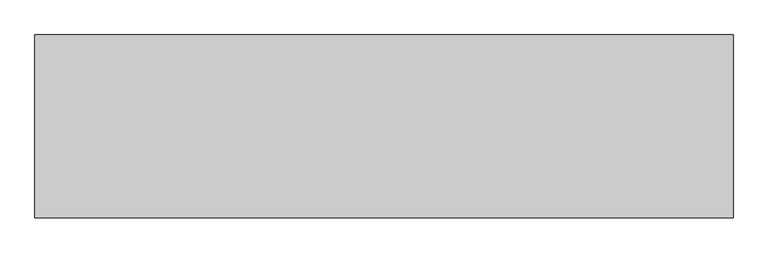
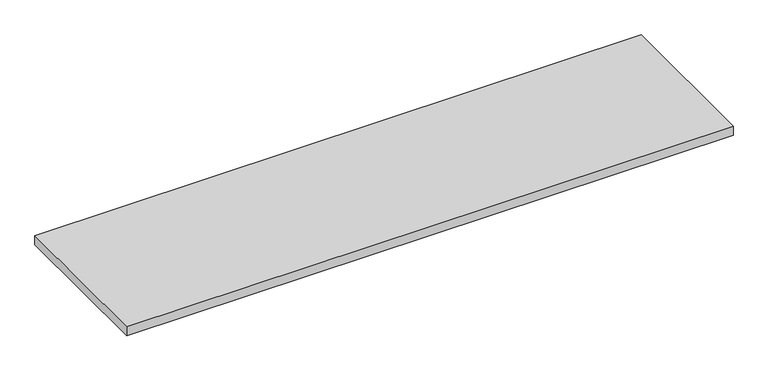
"""IFC4 building model written with IfcOpenShell, lengths in millimetres: furniture geometry."""

import ifcopenshell
import ifcopenshell.guid

model = None  # the IFC model being written
_history = None  # IfcOwnerHistory: only IFC2X3 demands one
_inside = {}  # id of a spatial element -> (the spatial element, [elements in it])
_under = {}  # id of a project, library or spatial element -> (it, [spatial elements below it])
_declared = {}  # id of a project -> (the project, [libraries it declares])
_typed = {}  # id of a type object -> (the type object, [elements of that type])
_made_of = {}  # id of a material, layer set ... -> (it, [elements and type objects made of it])


def new_model(schema):
    """Start an empty IFC model of exactly this schema.

    Asked for "IFC4X3", IfcOpenShell would pick the latest addendum, in which some entities
    have other attributes; the version numbers below select the first issue.
    IFC2X3 requires an IfcOwnerHistory on every rooted entity: one is made here for all.
    """
    global model, _history
    if schema == "IFC4X3":
        model = ifcopenshell.file(schema_version=(4, 3, 0, 0))
    else:
        model = ifcopenshell.file(schema=schema)
    _inside.clear()
    _under.clear()
    _declared.clear()
    _typed.clear()
    _made_of.clear()
    _history = None
    if model.schema == "IFC2X3":
        org = make("IfcOrganization", Name="unknown")
        user = make(
            "IfcPersonAndOrganization",
            ThePerson=make("IfcPerson", FamilyName="unknown"),
            TheOrganization=org,
        )
        app = make(
            "IfcApplication",
            ApplicationDeveloper=org,
            Version="unknown",
            ApplicationFullName="unknown",
            ApplicationIdentifier="unknown",
        )
        _history = make(
            "IfcOwnerHistory",
            OwningUser=user,
            OwningApplication=app,
            ChangeAction="ADDED",
            CreationDate=0,
        )
    return model


def make(cls, **values):
    """One entity of the class cls with the attributes given. An attribute that is None is left unset."""
    return model.create_entity(
        cls, **{name: value for name, value in values.items() if value is not None}
    )


def rooted(cls, **values):
    """An entity with a GlobalId (a new one), such as an element, a storey or a relation."""
    return make(cls, GlobalId=ifcopenshell.guid.new(), OwnerHistory=_history, **values)


def si_unit(unit_type, name, prefix=None):
    """IfcSIUnit, for example si_unit("LENGTHUNIT", "METRE", prefix="MILLI")."""
    return make("IfcSIUnit", UnitType=unit_type, Prefix=prefix, Name=name)


def assignment(units):
    """IfcUnitAssignment: the units of a project."""
    return None if units is None else make("IfcUnitAssignment", Units=units)


def point(xyz):
    """IfcCartesianPoint."""
    return None if xyz is None else make("IfcCartesianPoint", Coordinates=xyz)


def direction(xyz):
    """IfcDirection."""
    return None if xyz is None else make("IfcDirection", DirectionRatios=xyz)


def frame(location, z_axis=None, x_axis=None):
    """IfcAxis2Placement3D, a coordinate frame: its origin and axes. An axis left out is left unset."""
    return make(
        "IfcAxis2Placement3D",
        Location=point(location),
        Axis=direction(z_axis),
        RefDirection=direction(x_axis),
    )


def origin():
    """The frame at (0, 0, 0) with its axes left unset."""
    return frame((0.0, 0.0, 0.0))


def place(relative_to, where):
    """IfcLocalPlacement: puts the frame where relative to a parent placement (None: the world)."""
    return make(
        "IfcLocalPlacement", PlacementRelTo=relative_to, RelativePlacement=where
    )


def context(
    kind, dimensions, precision=None, world=None, true_north=None, identifier=None
):
    """IfcGeometricRepresentationContext, for example the 3D "Model" context."""
    return make(
        "IfcGeometricRepresentationContext",
        ContextIdentifier=identifier,
        ContextType=kind,
        CoordinateSpaceDimension=dimensions,
        Precision=precision,
        WorldCoordinateSystem=world,
        TrueNorth=true_north,
    )


def project(units=None, contexts=None):
    """IfcProject with its units and contexts."""
    return rooted(
        "IfcProject",
        Name="project",
        RepresentationContexts=contexts,
        UnitsInContext=assignment(units),
    )


def spatial(cls, under=None, at=None, **own):
    """A site, building, storey or space (cls), placed at a placement, below another one or the project."""
    s = rooted(cls, ObjectPlacement=at, **own)
    if under is not None:
        _under.setdefault(under.id(), (under, []))[1].append(s)
    return s


def polyline(points):
    """IfcPolyline through the points."""
    return make("IfcPolyline", Points=[point(p) for p in points])


def outline(outer, holes=None, kind="AREA"):
    """IfcArbitraryClosedProfileDef: a profile drawn as a closed curve; with holes, ...WithVoids."""
    if holes is None:
        return make("IfcArbitraryClosedProfileDef", ProfileType=kind, OuterCurve=outer)
    return make(
        "IfcArbitraryProfileDefWithVoids",
        ProfileType=kind,
        OuterCurve=outer,
        InnerCurves=holes,
    )


def extrude(swept, where, along, depth):
    """IfcExtrudedAreaSolid: the profile swept, set in the frame where, extruded along a direction by depth."""
    return make(
        "IfcExtrudedAreaSolid",
        SweptArea=swept,
        Position=where,
        ExtrudedDirection=direction(along),
        Depth=depth,
    )


def shape(context_of_items, identifier, shape_type, items):
    """IfcShapeRepresentation: the items that make up one representation, for example the "Body"."""
    return make(
        "IfcShapeRepresentation",
        ContextOfItems=context_of_items,
        RepresentationIdentifier=identifier,
        RepresentationType=shape_type,
        Items=items,
    )


def source(mapping_origin, context_of_items, identifier, shape_type, items):
    """IfcRepresentationMap: a shape defined once, which mapped items show again and again."""
    return make(
        "IfcRepresentationMap",
        MappingOrigin=mapping_origin,
        MappedRepresentation=shape(context_of_items, identifier, shape_type, items),
    )


def transform(
    local_origin,
    x_axis=None,
    y_axis=None,
    z_axis=None,
    scale=None,
    scale2=None,
    scale3=None,
    uniform=True,
):
    """IfcCartesianTransformationOperator3D, or its non-uniform kind. x_axis, y_axis, z_axis: its Axis1, 2, 3."""
    if uniform:
        return make(
            "IfcCartesianTransformationOperator3D",
            Axis1=direction(x_axis),
            Axis2=direction(y_axis),
            LocalOrigin=point(local_origin),
            Scale=scale,
            Axis3=direction(z_axis),
        )
    return make(
        "IfcCartesianTransformationOperator3DnonUniform",
        Axis1=direction(x_axis),
        Axis2=direction(y_axis),
        LocalOrigin=point(local_origin),
        Scale=scale,
        Axis3=direction(z_axis),
        Scale2=scale2,
        Scale3=scale3,
    )


def mapped(mapping_source, mapping_target):
    """IfcMappedItem: shows the shape of a source again, moved by a transform."""
    return make(
        "IfcMappedItem", MappingSource=mapping_source, MappingTarget=mapping_target
    )


def made_of(thing, what):
    """Note that an element or type object is made of a material, layer set ...; save() writes the relation."""
    if what is not None:
        _made_of.setdefault(what.id(), (what, []))[1].append(thing)
    return thing


def element(
    cls,
    number,
    at=None,
    inside=None,
    cuts=None,
    type_object=None,
    material=None,
    context=None,
    identifier="Body",
    shape_type=None,
    held_by="IfcProductDefinitionShape",
    body=None,
    shapes=None,
    **own,
):
    """One element of the class cls, such as IfcWall. Its Tag is "e" and its number.

    at: its placement. inside: the storey or other place that contains it. cuts: it is an
    opening in that element (IfcRelVoidsElement). A single representation is given by context,
    identifier, shape_type and body (its items); several are given by shapes. held_by: the class
    of the entity that holds the representations. save() writes the other relations.
    """
    e = rooted(cls, Tag="e%d" % number, ObjectPlacement=at, **own)
    if body is not None:
        shapes = [shape(context, identifier, shape_type, body)]
    if shapes is not None:
        e.Representation = make(held_by, Representations=shapes)
    if inside is not None:
        _inside.setdefault(inside.id(), (inside, []))[1].append(e)
    if cuts is not None:
        rooted(
            "IfcRelVoidsElement", RelatingBuildingElement=cuts, RelatedOpeningElement=e
        )
    if type_object is not None:
        _typed.setdefault(type_object.id(), (type_object, []))[1].append(e)
    return made_of(e, material)


def aggregate(whole, parts):
    """IfcRelAggregates: a whole, such as a stair, and the parts it consists of."""
    return rooted("IfcRelAggregates", RelatingObject=whole, RelatedObjects=parts)


def save(model, path):
    """Write the relations noted so far, then the file.

    IfcRelAggregates (storeys below a building ...), IfcRelContainedInSpatialStructure (elements
    in a storey), IfcRelDefinesByType, IfcRelAssociatesMaterial and IfcRelDeclares: one each for
    every whole, place, type object, material and project.
    """
    for whole, parts in _under.values():
        aggregate(whole, parts)
    for where, things in _inside.values():
        rooted(
            "IfcRelContainedInSpatialStructure",
            RelatedElements=things,
            RelatingStructure=where,
        )
    for kind, things in _typed.values():
        rooted("IfcRelDefinesByType", RelatedObjects=things, RelatingType=kind)
    for what, things in _made_of.values():
        rooted("IfcRelAssociatesMaterial", RelatedObjects=things, RelatingMaterial=what)
    for by, libraries in _declared.values():
        rooted("IfcRelDeclares", RelatingContext=by, RelatedDefinitions=libraries)
    model.write(path)


def furniture_aec1ef61(model_context):
    return source(origin(), model_context, "Body", "SweptSolid", [
        extrude(outline(polyline([(0.0, 0.0), (0.0, 479.552), (1828.8, 479.552), (1828.8, 0.0), (0.0, 0.0)])), frame((0.0, 0.0, 693.7375), z_axis=(0.0, 0.0, 1.0), x_axis=(1.0, 0.0, 0.0)), (0.0, 0.0, 1.0), 28.575),
    ])


if __name__ == "__main__":
    model = new_model("IFC4")
    model_context = context("Model", 3, world=origin())
    ifc_project = project(units=[si_unit("LENGTHUNIT", "METRE", prefix="MILLI")], contexts=[model_context])
    site = spatial("IfcSite", under=ifc_project)
    building = spatial("IfcBuilding", under=site)
    placement = place(None, origin())
    furniture_shape = furniture_aec1ef61(model_context)
    element("IfcFurniture", 1, at=placement, inside=building, context=model_context, shape_type="MappedRepresentation", body=[
        mapped(furniture_shape, transform((0.0, 0.0, 0.0), x_axis=(1.0, 0.0, 0.0), y_axis=(0.0, 1.0, 0.0), z_axis=(0.0, 0.0, 1.0))),
    ])
    save(model, "model.ifc")
